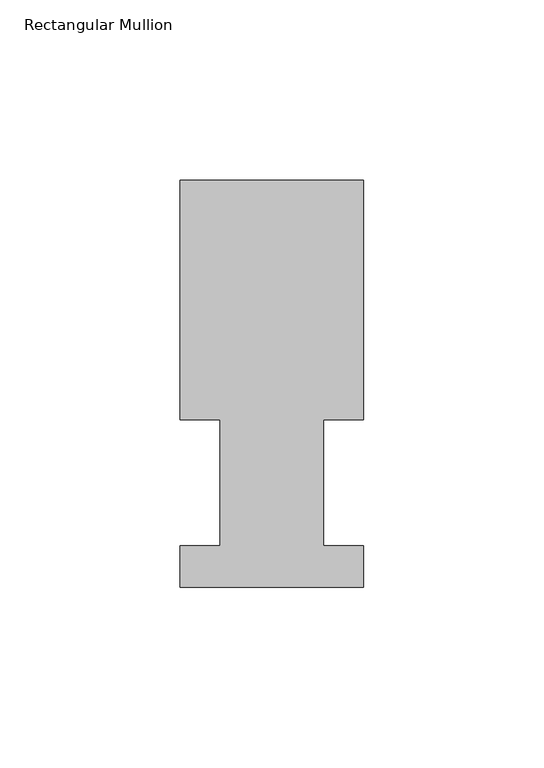
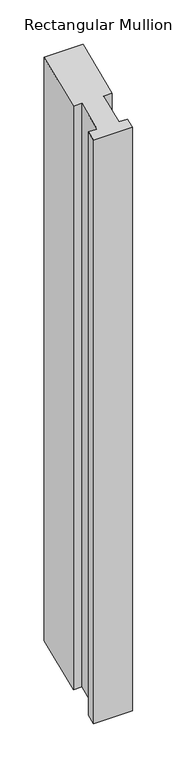
"""IFC4 building model written with IfcOpenShell, lengths in millimetres: member geometry, Rectangular Mullion."""

from ifc_helpers import new_model, si_unit, origin, place, context, project, spatial, faceted_brep, source, transform, mapped, element, save


def rectangular_mullion_c4ed15ae(model_context):
    return source(origin(), model_context, "Body", "Brep", [
        faceted_brep([(0.0, 0.739775, 0.3064248), (-50.8, 0.739775, 0.3064248), (-50.8, 0.739775, -805.7584357), (0.0, 0.739775, -805.7584357), (0.0, 12.144375, 5.0303648), (0.0, 12.144375, -801.0344957), (-11.0998, 12.144375, 5.0303648), (-11.0998, 12.144375, -801.0344957), (-11.0998, 47.069375, 19.4967735), (-11.0998, 47.069375, -786.568087), (0.0, 47.069375, 19.4967735), (0.0, 47.069375, -786.568087), (0.0, 113.464975, 46.9987315), (0.0, 113.464975, -759.066129), (-50.8, 113.464975, 46.9987315), (-50.8, 113.464975, -759.066129), (-50.8, 47.069375, 19.4967735), (-50.8, 47.069375, -786.568087), (-39.6875, 47.069375, 19.4967735), (-39.6875, 47.069375, -786.568087), (-39.6875, 12.144375, 5.0303648), (-39.6875, 12.144375, -801.0344957), (-50.8, 12.144375, 5.0303648), (-50.8, 12.144375, -801.0344957)], [[[0, 1, 2, 3]], [[4, 0, 3, 5]], [[6, 4, 5, 7]], [[8, 6, 7, 9]], [[10, 8, 9, 11]], [[12, 10, 11, 13]], [[14, 12, 13, 15]], [[16, 14, 15, 17]], [[18, 16, 17, 19]], [[20, 18, 19, 21]], [[22, 20, 21, 23]], [[1, 22, 23, 2]], [[1, 0, 4, 6, 8, 10, 12, 14, 16, 18, 20, 22]], [[2, 23, 21, 19, 17, 15, 13, 11, 9, 7, 5, 3]]]),
    ])


if __name__ == "__main__":
    model = new_model("IFC4")
    model_context = context("Model", 3, world=origin())
    ifc_project = project(units=[si_unit("LENGTHUNIT", "METRE", prefix="MILLI")], contexts=[model_context])
    site = spatial("IfcSite", under=ifc_project)
    building = spatial("IfcBuilding", under=site)
    placement = place(None, origin())
    rectangular_mullion_shape = rectangular_mullion_c4ed15ae(model_context)
    element("IfcMember", 1, ObjectType="Rectangular Mullion", at=placement, inside=building, context=model_context, shape_type="MappedRepresentation", body=[
        mapped(rectangular_mullion_shape, transform((0.0, 0.0, 0.0), x_axis=(1.0, 0.0, 0.0), y_axis=(0.0, 1.0, 0.0), z_axis=(0.0, 0.0, 1.0))),
    ])
    save(model, "model.ifc")
